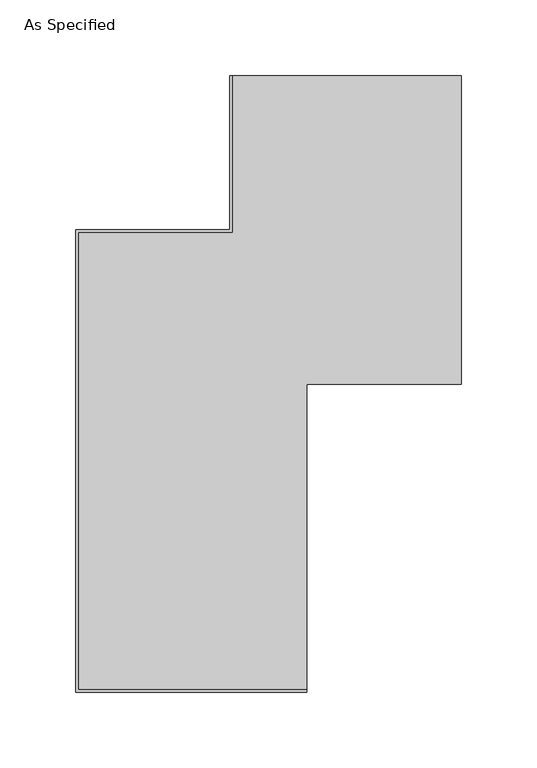
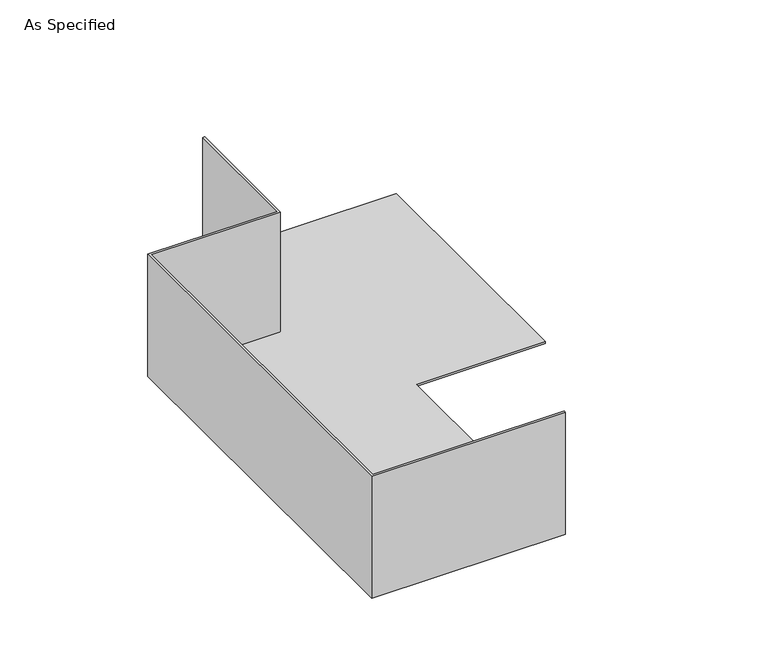
"""IFC4 building model written with IfcOpenShell, lengths in millimetres: proxy geometry, As Specified."""

import ifcopenshell
import ifcopenshell.guid

model = None  # the IFC model being written
_history = None  # IfcOwnerHistory: only IFC2X3 demands one
_inside = {}  # id of a spatial element -> (the spatial element, [elements in it])
_under = {}  # id of a project, library or spatial element -> (it, [spatial elements below it])
_declared = {}  # id of a project -> (the project, [libraries it declares])
_typed = {}  # id of a type object -> (the type object, [elements of that type])
_made_of = {}  # id of a material, layer set ... -> (it, [elements and type objects made of it])


def new_model(schema):
    """Start an empty IFC model of exactly this schema.

    Asked for "IFC4X3", IfcOpenShell would pick the latest addendum, in which some entities
    have other attributes; the version numbers below select the first issue.
    IFC2X3 requires an IfcOwnerHistory on every rooted entity: one is made here for all.
    """
    global model, _history
    if schema == "IFC4X3":
        model = ifcopenshell.file(schema_version=(4, 3, 0, 0))
    else:
        model = ifcopenshell.file(schema=schema)
    _inside.clear()
    _under.clear()
    _declared.clear()
    _typed.clear()
    _made_of.clear()
    _history = None
    if model.schema == "IFC2X3":
        org = make("IfcOrganization", Name="unknown")
        user = make(
            "IfcPersonAndOrganization",
            ThePerson=make("IfcPerson", FamilyName="unknown"),
            TheOrganization=org,
        )
        app = make(
            "IfcApplication",
            ApplicationDeveloper=org,
            Version="unknown",
            ApplicationFullName="unknown",
            ApplicationIdentifier="unknown",
        )
        _history = make(
            "IfcOwnerHistory",
            OwningUser=user,
            OwningApplication=app,
            ChangeAction="ADDED",
            CreationDate=0,
        )
    return model


def make(cls, **values):
    """One entity of the class cls with the attributes given. An attribute that is None is left unset."""
    return model.create_entity(
        cls, **{name: value for name, value in values.items() if value is not None}
    )


def rooted(cls, **values):
    """An entity with a GlobalId (a new one), such as an element, a storey or a relation."""
    return make(cls, GlobalId=ifcopenshell.guid.new(), OwnerHistory=_history, **values)


def si_unit(unit_type, name, prefix=None):
    """IfcSIUnit, for example si_unit("LENGTHUNIT", "METRE", prefix="MILLI")."""
    return make("IfcSIUnit", UnitType=unit_type, Prefix=prefix, Name=name)


def assignment(units):
    """IfcUnitAssignment: the units of a project."""
    return None if units is None else make("IfcUnitAssignment", Units=units)


def point(xyz):
    """IfcCartesianPoint."""
    return None if xyz is None else make("IfcCartesianPoint", Coordinates=xyz)


def direction(xyz):
    """IfcDirection."""
    return None if xyz is None else make("IfcDirection", DirectionRatios=xyz)


def frame(location, z_axis=None, x_axis=None):
    """IfcAxis2Placement3D, a coordinate frame: its origin and axes. An axis left out is left unset."""
    return make(
        "IfcAxis2Placement3D",
        Location=point(location),
        Axis=direction(z_axis),
        RefDirection=direction(x_axis),
    )


def origin():
    """The frame at (0, 0, 0) with its axes left unset."""
    return frame((0.0, 0.0, 0.0))


def place(relative_to, where):
    """IfcLocalPlacement: puts the frame where relative to a parent placement (None: the world)."""
    return make(
        "IfcLocalPlacement", PlacementRelTo=relative_to, RelativePlacement=where
    )


def context(
    kind, dimensions, precision=None, world=None, true_north=None, identifier=None
):
    """IfcGeometricRepresentationContext, for example the 3D "Model" context."""
    return make(
        "IfcGeometricRepresentationContext",
        ContextIdentifier=identifier,
        ContextType=kind,
        CoordinateSpaceDimension=dimensions,
        Precision=precision,
        WorldCoordinateSystem=world,
        TrueNorth=true_north,
    )


def project(units=None, contexts=None):
    """IfcProject with its units and contexts."""
    return rooted(
        "IfcProject",
        Name="project",
        RepresentationContexts=contexts,
        UnitsInContext=assignment(units),
    )


def spatial(cls, under=None, at=None, **own):
    """A site, building, storey or space (cls), placed at a placement, below another one or the project."""
    s = rooted(cls, ObjectPlacement=at, **own)
    if under is not None:
        _under.setdefault(under.id(), (under, []))[1].append(s)
    return s


def faces_of(points, faces, orient=None, outer=None):
    """IfcFace entities. A face is a list of loops; a loop is a list of indices into points, from 0.

    orient and outer hold one flag for each loop. By default every Orientation is true, the
    first loop of a face is its IfcFaceOuterBound and the others are IfcFaceBound.
    """
    made = []
    for i, loops in enumerate(faces):
        bounds = []
        for j, loop in enumerate(loops):
            is_outer = j == 0 if outer is None else outer[i][j]
            bounds.append(
                make(
                    "IfcFaceOuterBound" if is_outer else "IfcFaceBound",
                    Bound=make("IfcPolyLoop", Polygon=[points[k] for k in loop]),
                    Orientation=True if orient is None else orient[i][j],
                )
            )
        made.append(make("IfcFace", Bounds=bounds))
    return made


def faceted_brep(points, faces, orient=None, outer=None, voids=None):
    """IfcFacetedBrep: a solid bounded by flat faces; with voids (closed shells), ...WithVoids."""
    shared = [point(p) for p in points]
    hull = make("IfcClosedShell", CfsFaces=faces_of(shared, faces, orient, outer))
    if voids is None:
        return make("IfcFacetedBrep", Outer=hull)
    return make(
        "IfcFacetedBrepWithVoids",
        Outer=hull,
        Voids=[
            make(cls, CfsFaces=faces_of(shared, fs, o, b)) for cls, fs, o, b in voids
        ],
    )


def shape(context_of_items, identifier, shape_type, items):
    """IfcShapeRepresentation: the items that make up one representation, for example the "Body"."""
    return make(
        "IfcShapeRepresentation",
        ContextOfItems=context_of_items,
        RepresentationIdentifier=identifier,
        RepresentationType=shape_type,
        Items=items,
    )


def source(mapping_origin, context_of_items, identifier, shape_type, items):
    """IfcRepresentationMap: a shape defined once, which mapped items show again and again."""
    return make(
        "IfcRepresentationMap",
        MappingOrigin=mapping_origin,
        MappedRepresentation=shape(context_of_items, identifier, shape_type, items),
    )


def transform(
    local_origin,
    x_axis=None,
    y_axis=None,
    z_axis=None,
    scale=None,
    scale2=None,
    scale3=None,
    uniform=True,
):
    """IfcCartesianTransformationOperator3D, or its non-uniform kind. x_axis, y_axis, z_axis: its Axis1, 2, 3."""
    if uniform:
        return make(
            "IfcCartesianTransformationOperator3D",
            Axis1=direction(x_axis),
            Axis2=direction(y_axis),
            LocalOrigin=point(local_origin),
            Scale=scale,
            Axis3=direction(z_axis),
        )
    return make(
        "IfcCartesianTransformationOperator3DnonUniform",
        Axis1=direction(x_axis),
        Axis2=direction(y_axis),
        LocalOrigin=point(local_origin),
        Scale=scale,
        Axis3=direction(z_axis),
        Scale2=scale2,
        Scale3=scale3,
    )


def mapped(mapping_source, mapping_target):
    """IfcMappedItem: shows the shape of a source again, moved by a transform."""
    return make(
        "IfcMappedItem", MappingSource=mapping_source, MappingTarget=mapping_target
    )


def made_of(thing, what):
    """Note that an element or type object is made of a material, layer set ...; save() writes the relation."""
    if what is not None:
        _made_of.setdefault(what.id(), (what, []))[1].append(thing)
    return thing


def element(
    cls,
    number,
    at=None,
    inside=None,
    cuts=None,
    type_object=None,
    material=None,
    context=None,
    identifier="Body",
    shape_type=None,
    held_by="IfcProductDefinitionShape",
    body=None,
    shapes=None,
    **own,
):
    """One element of the class cls, such as IfcWall. Its Tag is "e" and its number.

    at: its placement. inside: the storey or other place that contains it. cuts: it is an
    opening in that element (IfcRelVoidsElement). A single representation is given by context,
    identifier, shape_type and body (its items); several are given by shapes. held_by: the class
    of the entity that holds the representations. save() writes the other relations.
    """
    e = rooted(cls, Tag="e%d" % number, ObjectPlacement=at, **own)
    if body is not None:
        shapes = [shape(context, identifier, shape_type, body)]
    if shapes is not None:
        e.Representation = make(held_by, Representations=shapes)
    if inside is not None:
        _inside.setdefault(inside.id(), (inside, []))[1].append(e)
    if cuts is not None:
        rooted(
            "IfcRelVoidsElement", RelatingBuildingElement=cuts, RelatedOpeningElement=e
        )
    if type_object is not None:
        _typed.setdefault(type_object.id(), (type_object, []))[1].append(e)
    return made_of(e, material)


def aggregate(whole, parts):
    """IfcRelAggregates: a whole, such as a stair, and the parts it consists of."""
    return rooted("IfcRelAggregates", RelatingObject=whole, RelatedObjects=parts)


def save(model, path):
    """Write the relations noted so far, then the file.

    IfcRelAggregates (storeys below a building ...), IfcRelContainedInSpatialStructure (elements
    in a storey), IfcRelDefinesByType, IfcRelAssociatesMaterial and IfcRelDeclares: one each for
    every whole, place, type object, material and project.
    """
    for whole, parts in _under.values():
        aggregate(whole, parts)
    for where, things in _inside.values():
        rooted(
            "IfcRelContainedInSpatialStructure",
            RelatedElements=things,
            RelatingStructure=where,
        )
    for kind, things in _typed.values():
        rooted("IfcRelDefinesByType", RelatedObjects=things, RelatingType=kind)
    for what, things in _made_of.values():
        rooted("IfcRelAssociatesMaterial", RelatedObjects=things, RelatingMaterial=what)
    for by, libraries in _declared.values():
        rooted("IfcRelDeclares", RelatingContext=by, RelatedDefinitions=libraries)
    model.write(path)


def as_specified_8e1b9611(model_context):
    return source(origin(), model_context, "Body", "Brep", [
        faceted_brep([(152.4, 203.2, 1.5875), (254.0, 203.2, 1.5875), (254.0, 406.4, 1.5875), (103.1875, 406.4, 1.5875), (103.1875, 303.2125, 1.5875), (1.5875, 303.2125, 1.5875), (1.5875, 1.5875, 1.5875), (152.4, 1.5875, 1.5875), (101.6, 304.8, 0.0), (101.6, 406.4, 0.0), (254.0, 406.4, 0.0), (254.0, 203.2, 0.0), (152.4, 203.2, 0.0), (152.4, 0.0, 0.0), (0.0, 0.0, 0.0), (0.0, 304.8, 0.0), (0.0, 304.8, 101.6), (101.6, 304.8, 101.6), (0.0, 0.0, 101.6), (152.4, 0.0, 101.6), (152.4, 1.5875, 101.6), (1.5875, 1.5875, 101.6), (1.5875, 303.2125, 101.6), (103.1875, 303.2125, 101.6), (103.1875, 406.4, 101.6), (101.6, 406.4, 101.6)], [[[0, 1, 2, 3, 4, 5, 6, 7]], [[8, 9, 10, 11, 12, 13, 14, 15]], [[8, 15, 16, 17]], [[16, 15, 14, 18]], [[18, 14, 13, 19]], [[19, 13, 12, 0, 7, 20]], [[18, 19, 20, 21, 22, 23, 24, 25, 17, 16]], [[21, 20, 7, 6]], [[22, 21, 6, 5]], [[23, 22, 5, 4]], [[1, 0, 12, 11]], [[2, 1, 11, 10]], [[2, 10, 9, 25, 24, 3]], [[25, 9, 8, 17]], [[24, 23, 4, 3]]]),
    ])


if __name__ == "__main__":
    model = new_model("IFC4")
    model_context = context("Model", 3, world=origin())
    ifc_project = project(units=[si_unit("LENGTHUNIT", "METRE", prefix="MILLI")], contexts=[model_context])
    site = spatial("IfcSite", under=ifc_project)
    building = spatial("IfcBuilding", under=site)
    placement = place(None, origin())
    as_specified_shape = as_specified_8e1b9611(model_context)
    element("IfcBuildingElementProxy", 1, Name="As Specified", ObjectType="As Specified", at=placement, inside=building, context=model_context, shape_type="MappedRepresentation", body=[
        mapped(as_specified_shape, transform((0.0, 0.0, 0.0), x_axis=(1.0, 0.0, 0.0), y_axis=(0.0, 1.0, 0.0), z_axis=(0.0, 0.0, 1.0))),
    ])
    save(model, "model.ifc")
